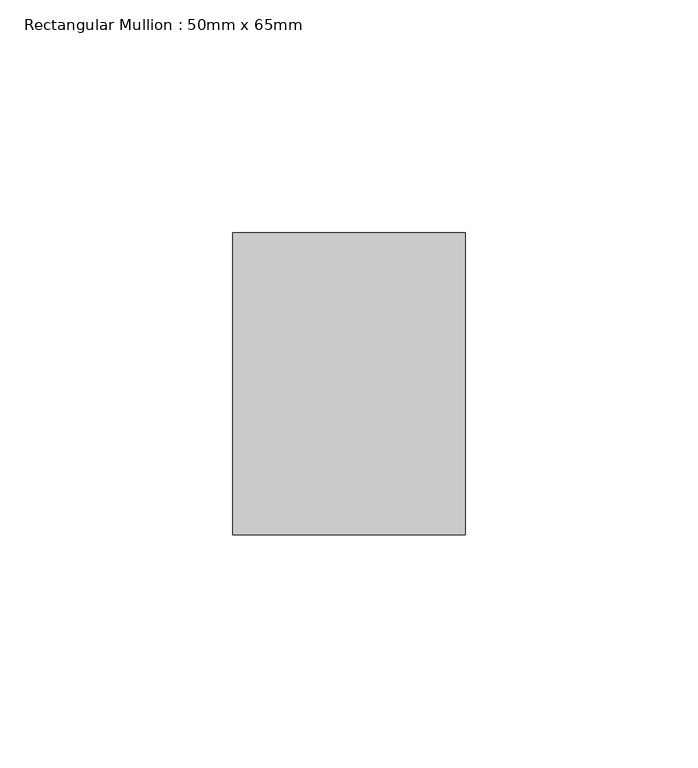
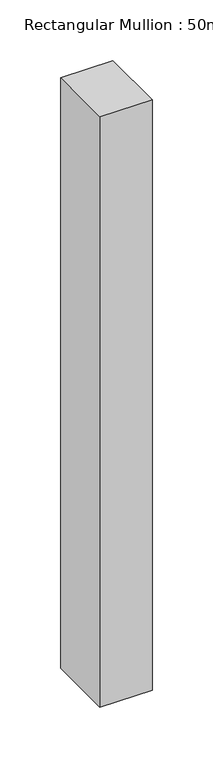
"""IFC4 building model written with IfcOpenShell, lengths in millimetres: member geometry, Rectangular Mullion : 50mm x 65mm."""

from ifc_helpers import new_model, si_unit, frame, origin, place, context, project, spatial, polyline, outline, extrude, source, transform, mapped, element, save


def rectangular_mullion_50mm_x_65mm_ef1fc6d4(model_context):
    return source(origin(), model_context, "Body", "SweptSolid", [
        extrude(outline(polyline([(25.0, 32.5), (25.0, -32.5), (-25.0, -32.5), (-25.0, 32.5), (25.0, 32.5)])), frame((0.0, 0.0, -595.7760777), z_axis=(0.0, 0.0, 1.0), x_axis=(1.0, 0.0, 0.0)), (0.0, 0.0, 1.0), 595.7760777),
    ])


if __name__ == "__main__":
    model = new_model("IFC4")
    model_context = context("Model", 3, world=origin())
    ifc_project = project(units=[si_unit("LENGTHUNIT", "METRE", prefix="MILLI")], contexts=[model_context])
    site = spatial("IfcSite", under=ifc_project)
    building = spatial("IfcBuilding", under=site)
    placement = place(None, origin())
    rectangular_mullion_50mm_x_65mm_shape = rectangular_mullion_50mm_x_65mm_ef1fc6d4(model_context)
    element("IfcMember", 1, ObjectType="Rectangular Mullion : 50mm x 65mm", at=placement, inside=building, context=model_context, shape_type="MappedRepresentation", body=[
        mapped(rectangular_mullion_50mm_x_65mm_shape, transform((0.0, 0.0, 0.0), x_axis=(1.0, 0.0, 0.0), y_axis=(0.0, 1.0, 0.0), z_axis=(0.0, 0.0, 1.0))),
    ])
    save(model, "model.ifc")
